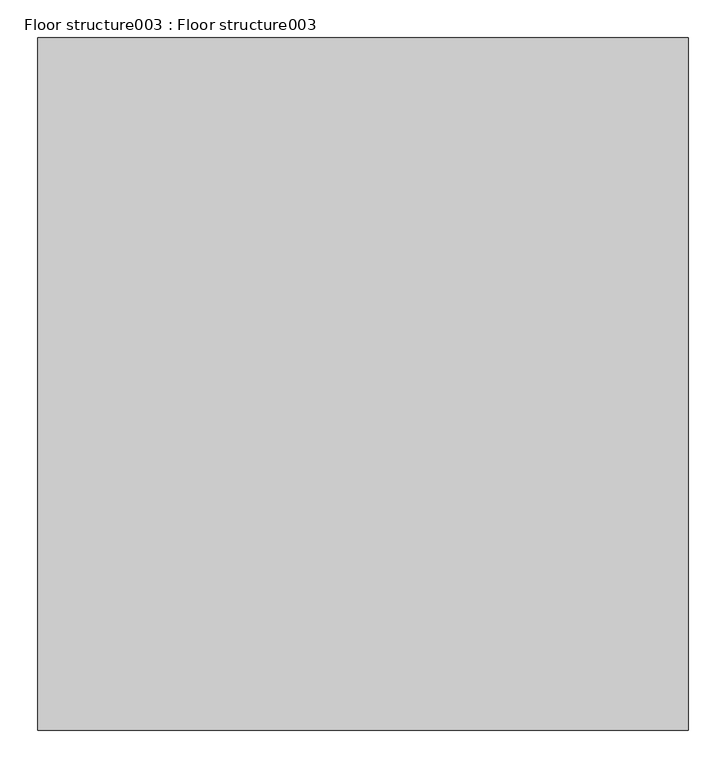
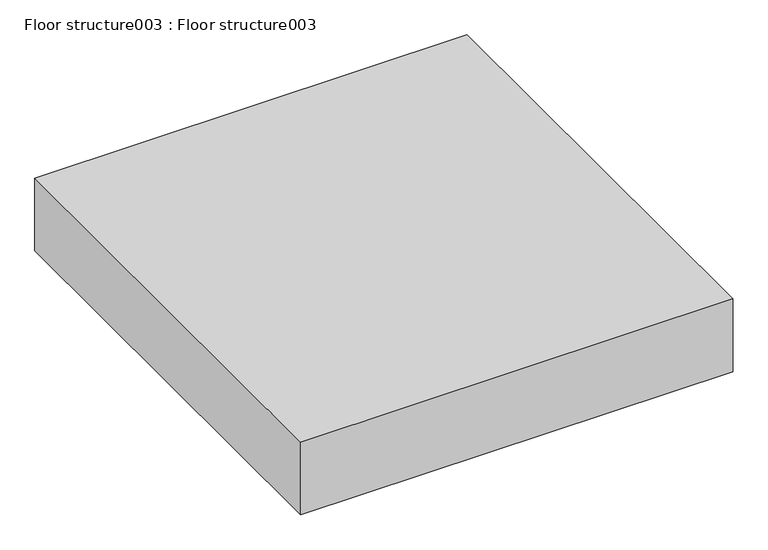
"""IFC4 building model written with IfcOpenShell, lengths in millimetres: proxy geometry, Floor structure003 : Floor structure003."""

from ifc_helpers import new_model, si_unit, origin, origin_with_axes, place, context, project, spatial, polyline, outline, extrude, source, transform, mapped, element, save


def floor_structure003_floor_structure003_adab07af(model_context):
    return source(origin(), model_context, "Body", "SweptSolid", [
        extrude(outline(polyline([(37351.2694793, -19576.8264268), (36492.4410043, -19576.8264268), (36492.4410043, -18662.4264268), (37351.2694793, -18662.4264268), (37351.2694793, -19576.8264268)])), origin_with_axes(), (0.0, 0.0, 1.0), 152.4),
    ])


if __name__ == "__main__":
    model = new_model("IFC4")
    model_context = context("Model", 3, world=origin())
    ifc_project = project(units=[si_unit("LENGTHUNIT", "METRE", prefix="MILLI")], contexts=[model_context])
    site = spatial("IfcSite", under=ifc_project)
    building = spatial("IfcBuilding", under=site)
    placement = place(None, origin())
    floor_structure003_floor_structure003_shape = floor_structure003_floor_structure003_adab07af(model_context)
    element("IfcBuildingElementProxy", 1, Name="Floor structure003 : Floor structure003", ObjectType="Floor structure003 : Floor structure003", at=placement, inside=building, context=model_context, shape_type="MappedRepresentation", body=[
        mapped(floor_structure003_floor_structure003_shape, transform((0.0, 0.0, 0.0), x_axis=(1.0, 0.0, 0.0), y_axis=(0.0, 1.0, 0.0), z_axis=(0.0, 0.0, 1.0))),
    ])
    save(model, "model.ifc")
